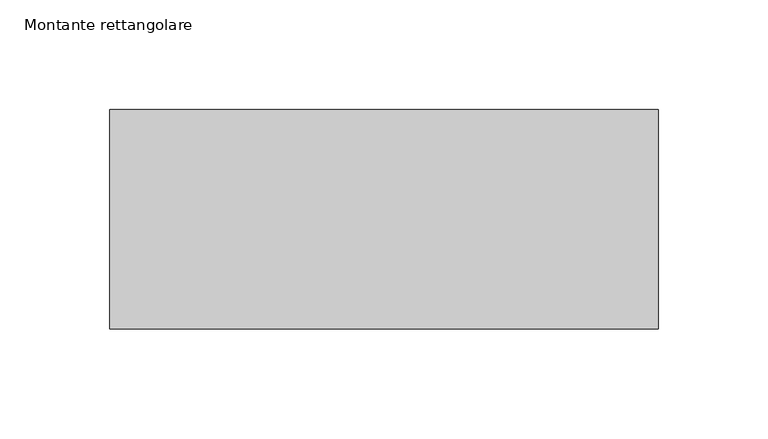
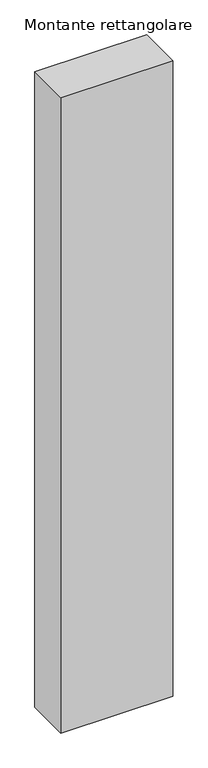
"""IFC4 building model written with IfcOpenShell, lengths in millimetres: member geometry, Montante rettangolare."""

from ifc_helpers import new_model, si_unit, frame, origin, place, context, project, spatial, polyline, outline, extrude, source, transform, mapped, element, save


def montante_rettangolare_122e0813(model_context):
    return source(origin(), model_context, "Body", "SweptSolid", [
        extrude(outline(polyline([(125.0, 50.0), (125.0, -50.0), (-125.0, -50.0), (-125.0, 50.0), (125.0, 50.0)])), frame((0.0, 0.0, -1500.0), z_axis=(0.0, 0.0, 1.0), x_axis=(1.0, 0.0, 0.0)), (0.0, 0.0, 1.0), 1500.0),
    ])


if __name__ == "__main__":
    model = new_model("IFC4")
    model_context = context("Model", 3, world=origin())
    ifc_project = project(units=[si_unit("LENGTHUNIT", "METRE", prefix="MILLI")], contexts=[model_context])
    site = spatial("IfcSite", under=ifc_project)
    building = spatial("IfcBuilding", under=site)
    placement = place(None, origin())
    montante_rettangolare_shape = montante_rettangolare_122e0813(model_context)
    element("IfcMember", 1, ObjectType="Montante rettangolare", at=placement, inside=building, context=model_context, shape_type="MappedRepresentation", body=[
        mapped(montante_rettangolare_shape, transform((0.0, 0.0, 0.0), x_axis=(1.0, 0.0, 0.0), y_axis=(0.0, 1.0, 0.0), z_axis=(0.0, 0.0, 1.0))),
    ])
    save(model, "model.ifc")
